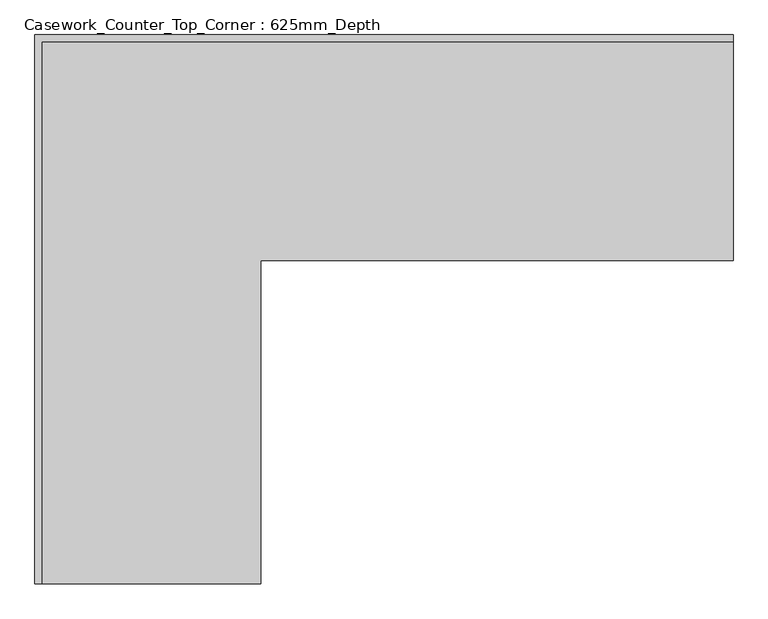
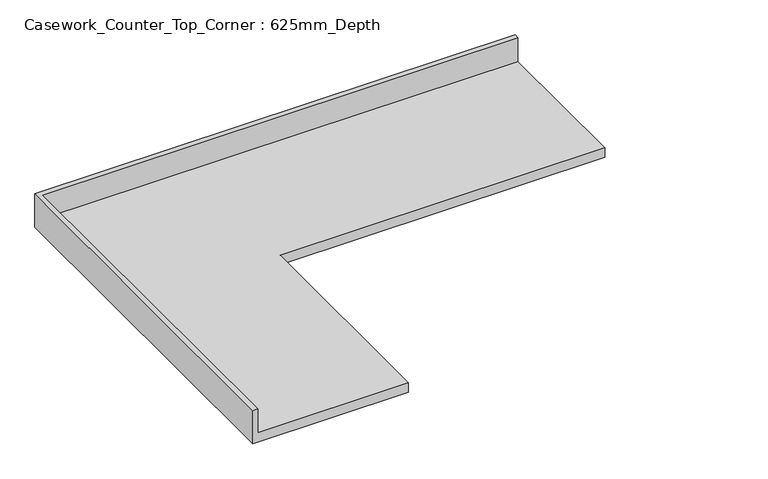
"""IFC4 building model written with IfcOpenShell, lengths in millimetres: furniture geometry, Casework_Counter_Top_Corner : 625mm_Depth."""

from ifc_helpers import new_model, si_unit, origin, place, context, project, spatial, faceted_brep, source, transform, mapped, element, save


def casework_counter_top_corner_625mm_depth_d176decf(model_context):
    return source(origin(), model_context, "Body", "Brep", [
        faceted_brep([(-575.4622951, -1518.9153347, 900.0), (-575.4622951, -625.0, 900.0), (730.5377049, -625.0, 900.0), (730.5377049, -19.05, 900.0), (-1181.4122951, -19.05, 900.0), (-1181.4122951, -1518.9153347, 900.0), (730.5377049, 0.0, 860.0), (730.5377049, -625.0, 860.0), (-575.4622951, -625.0, 860.0), (-575.4622951, -1518.9153347, 860.0), (-1200.4622951, -1518.9153347, 860.0), (-1200.4622951, 0.0, 860.0), (-1200.4622951, 0.0, 1001.6), (730.5377049, 0.0, 1001.6), (-1200.4622951, -1518.9153347, 1001.6), (-1181.4122951, -1518.9153347, 1001.6), (730.5377049, -19.05, 1001.6), (-1181.4122951, -19.05, 1001.6)], [[[0, 1, 2, 3, 4, 5]], [[6, 7, 8, 9, 10, 11]], [[6, 11, 12, 13]], [[11, 10, 14, 12]], [[14, 10, 9, 0, 5, 15]], [[1, 0, 9, 8]], [[2, 1, 8, 7]], [[7, 6, 13, 16, 3, 2]], [[12, 14, 15, 17, 16, 13]], [[3, 16, 17, 4]], [[17, 15, 5, 4]]]),
    ])


if __name__ == "__main__":
    model = new_model("IFC4")
    model_context = context("Model", 3, world=origin())
    ifc_project = project(units=[si_unit("LENGTHUNIT", "METRE", prefix="MILLI")], contexts=[model_context])
    site = spatial("IfcSite", under=ifc_project)
    building = spatial("IfcBuilding", under=site)
    placement = place(None, origin())
    casework_counter_top_corner_625mm_depth_shape = casework_counter_top_corner_625mm_depth_d176decf(model_context)
    element("IfcFurniture", 1, ObjectType="Casework_Counter_Top_Corner : 625mm_Depth", at=placement, inside=building, context=model_context, shape_type="MappedRepresentation", body=[
        mapped(casework_counter_top_corner_625mm_depth_shape, transform((0.0, 0.0, 0.0), x_axis=(1.0, 0.0, 0.0), y_axis=(0.0, 1.0, 0.0), z_axis=(0.0, 0.0, 1.0))),
    ])
    save(model, "model.ifc")
